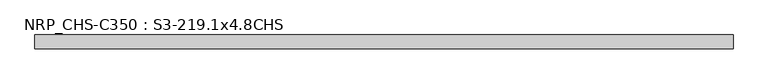
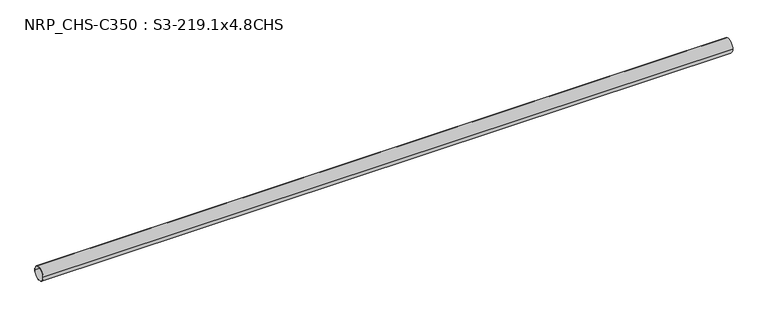
"""IFC4 building model written with IfcOpenShell, lengths in millimetres: beam geometry, NRP_CHS-C350 : S3-219.1x4.8CHS."""

from ifc_helpers import new_model, si_unit, point, frame, origin, origin_2d, place, context, project, spatial, circle_curve, trimmed, segment, composite_curve, outline, extrude, source, transform, mapped, element, save


def nrp_chs_c350_s3_219_1x4_8chs_1b96dc8e(model_context):
    return source(origin(), model_context, "Body", "SweptSolid", [
        extrude(outline(composite_curve([segment(trimmed(circle_curve(origin_2d(), 109.55), [point((-109.55, 0.0))], [point((109.55, 0.0))], False, "CARTESIAN"), True, "CONTINUOUS"), segment(trimmed(circle_curve(origin_2d(), 109.55), [point((109.55, 0.0))], [point((-109.55, 0.0))], False, "CARTESIAN"), True, "CONTINUOUS")], self_intersect=False), holes=[composite_curve([segment(trimmed(circle_curve(origin_2d(), 104.75), [point((104.75, 0.0))], [point((-104.75, 0.0))], True, "CARTESIAN"), True, "CONTINUOUS"), segment(trimmed(circle_curve(origin_2d(), 104.75), [point((-104.75, 0.0))], [point((104.75, 0.0))], True, "CARTESIAN"), True, "CONTINUOUS")], self_intersect=False)]), frame((-5512.3, 0.0, 0.0), z_axis=(1.0, 0.0, 0.0), x_axis=(0.0, 1.0, 0.0)), (0.0, 0.0, 1.0), 10897.5),
    ])


if __name__ == "__main__":
    model = new_model("IFC4")
    model_context = context("Model", 3, world=origin())
    ifc_project = project(units=[si_unit("LENGTHUNIT", "METRE", prefix="MILLI")], contexts=[model_context])
    site = spatial("IfcSite", under=ifc_project)
    building = spatial("IfcBuilding", under=site)
    placement = place(None, origin())
    nrp_chs_c350_s3_219_1x4_8chs_shape = nrp_chs_c350_s3_219_1x4_8chs_1b96dc8e(model_context)
    element("IfcBeam", 1, ObjectType="NRP_CHS-C350 : S3-219.1x4.8CHS", at=placement, inside=building, context=model_context, shape_type="MappedRepresentation", body=[
        mapped(nrp_chs_c350_s3_219_1x4_8chs_shape, transform((0.0, 0.0, 0.0), x_axis=(1.0, 0.0, 0.0), y_axis=(0.0, 1.0, 0.0), z_axis=(0.0, 0.0, 1.0))),
    ])
    save(model, "model.ifc")
